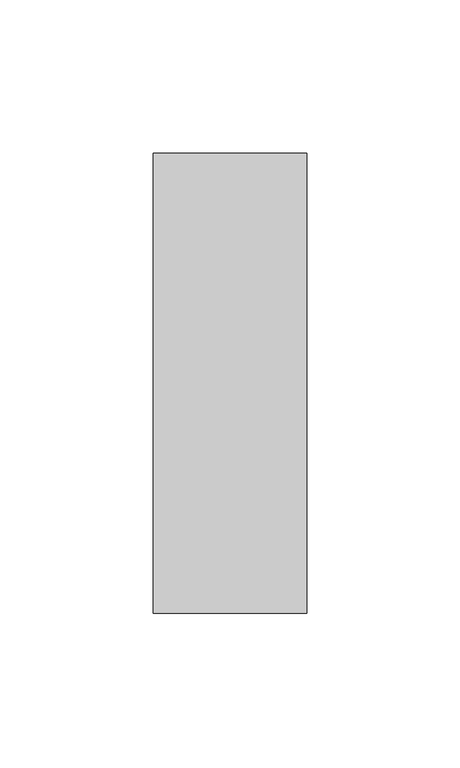
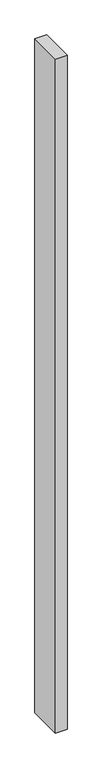
"""IFC4 building model written with IfcOpenShell, lengths in millimetres: member geometry."""

from ifc_helpers import new_model, si_unit, frame, origin, place, context, project, spatial, polyline, outline, extrude, source, transform, mapped, element, save


def member_1fe37e93(model_context):
    return source(origin(), model_context, "Body", "SweptSolid", [
        extrude(outline(polyline([(0.0, 75.0), (0.0, -75.0), (-50.0, -75.0), (-50.0, 75.0), (0.0, 75.0)])), frame((0.0, 0.0, -3025.0), z_axis=(0.0, 0.0, 1.0), x_axis=(1.0, 0.0, 0.0)), (0.0, 0.0, 1.0), 3025.0),
    ])


if __name__ == "__main__":
    model = new_model("IFC4")
    model_context = context("Model", 3, world=origin())
    ifc_project = project(units=[si_unit("LENGTHUNIT", "METRE", prefix="MILLI")], contexts=[model_context])
    site = spatial("IfcSite", under=ifc_project)
    building = spatial("IfcBuilding", under=site)
    placement = place(None, origin())
    member_shape = member_1fe37e93(model_context)
    element("IfcMember", 1, at=placement, inside=building, context=model_context, shape_type="MappedRepresentation", body=[
        mapped(member_shape, transform((0.0, 0.0, 0.0), x_axis=(1.0, 0.0, 0.0), y_axis=(0.0, 1.0, 0.0), z_axis=(0.0, 0.0, 1.0))),
    ])
    save(model, "model.ifc")
